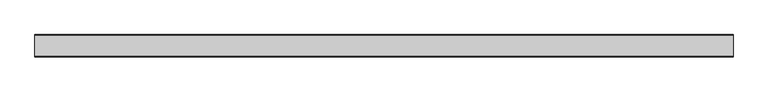
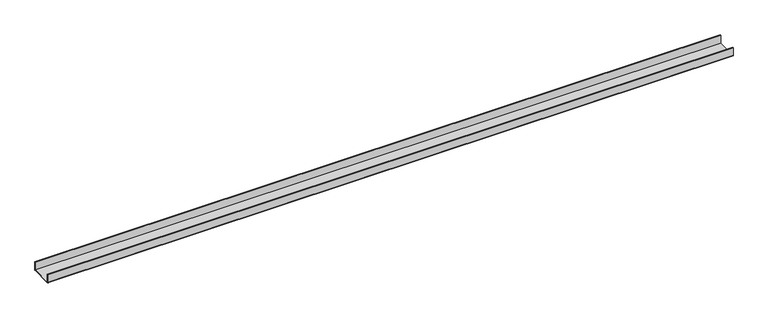
"""IFC4 building model written with IfcOpenShell, lengths in millimetres: proxy geometry."""

from ifc_helpers import new_model, si_unit, point, frame, frame_2d, origin, place, context, project, spatial, polyline, circle_curve, trimmed, segment, composite_curve, outline, extrude, source, transform, mapped, element, save


def generic_models_97d9e51c(model_context):
    return source(origin(), model_context, "Body", "SweptSolid", [
        extrude(outline(composite_curve([segment(polyline([(-50.5, 2.0), (-50.5, 40.0), (-48.5, 40.0), (-48.5, 2.0), (48.5, 2.0), (48.5, 40.0), (50.5, 40.0), (50.5, 2.0)]), True, "CONTINUOUS"), segment(trimmed(circle_curve(frame_2d((48.5, 2.0)), 2.0), [point((50.5, 2.0))], [point((48.5, 0.0))], False, "CARTESIAN"), True, "CONTINUOUS"), segment(polyline([(48.5, 0.0), (-48.5, 0.0)]), True, "CONTINUOUS"), segment(trimmed(circle_curve(frame_2d((-48.5, 2.0)), 2.0), [point((-48.5, 0.0))], [point((-50.5, 2.0))], False, "CARTESIAN"), True, "CONTINUOUS")], self_intersect=False)), frame((0.0, 0.0, 0.0), z_axis=(1.0, 0.0, 0.0), x_axis=(0.0, 1.0, 0.0)), (0.0, 0.0, 1.0), 3139.9162225),
    ])


if __name__ == "__main__":
    model = new_model("IFC4")
    model_context = context("Model", 3, world=origin())
    ifc_project = project(units=[si_unit("LENGTHUNIT", "METRE", prefix="MILLI")], contexts=[model_context])
    site = spatial("IfcSite", under=ifc_project)
    building = spatial("IfcBuilding", under=site)
    placement = place(None, origin())
    generic_models_shape = generic_models_97d9e51c(model_context)
    element("IfcBuildingElementProxy", 1, Name="Generic Models", at=placement, inside=building, context=model_context, shape_type="MappedRepresentation", body=[
        mapped(generic_models_shape, transform((0.0, 0.0, 0.0), x_axis=(1.0, 0.0, 0.0), y_axis=(0.0, 1.0, 0.0), z_axis=(0.0, 0.0, 1.0))),
    ])
    save(model, "model.ifc")
